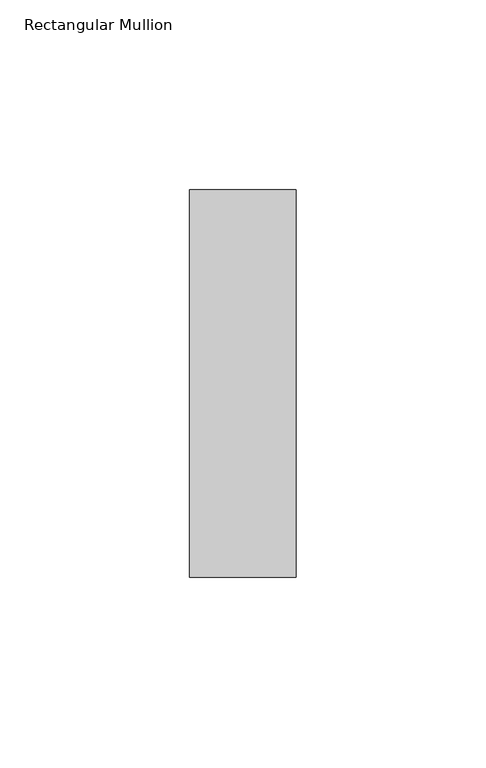
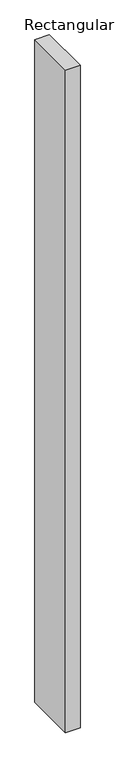
"""IFC4 building model written with IfcOpenShell, lengths in millimetres: member geometry, Rectangular Mullion."""

from ifc_helpers import new_model, si_unit, frame, origin, place, context, project, spatial, polyline, outline, extrude, source, transform, mapped, element, save


def rectangular_mullion_1025e70f(model_context):
    return source(origin(), model_context, "Body", "SweptSolid", [
        extrude(outline(polyline([(0.0, -51.0), (-28.0, -51.0), (-28.0, 51.0), (0.0, 51.0), (0.0, -51.0)])), frame((0.0, 0.0, -1350.0), z_axis=(0.0, 0.0, 1.0), x_axis=(1.0, 0.0, 0.0)), (0.0, 0.0, 1.0), 1350.0),
    ])


if __name__ == "__main__":
    model = new_model("IFC4")
    model_context = context("Model", 3, world=origin())
    ifc_project = project(units=[si_unit("LENGTHUNIT", "METRE", prefix="MILLI")], contexts=[model_context])
    site = spatial("IfcSite", under=ifc_project)
    building = spatial("IfcBuilding", under=site)
    placement = place(None, origin())
    rectangular_mullion_shape = rectangular_mullion_1025e70f(model_context)
    element("IfcMember", 1, ObjectType="Rectangular Mullion", at=placement, inside=building, context=model_context, shape_type="MappedRepresentation", body=[
        mapped(rectangular_mullion_shape, transform((0.0, 0.0, 0.0), x_axis=(1.0, 0.0, 0.0), y_axis=(0.0, 1.0, 0.0), z_axis=(0.0, 0.0, 1.0))),
    ])
    save(model, "model.ifc")
